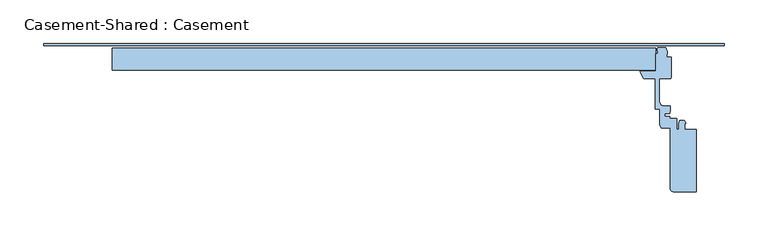
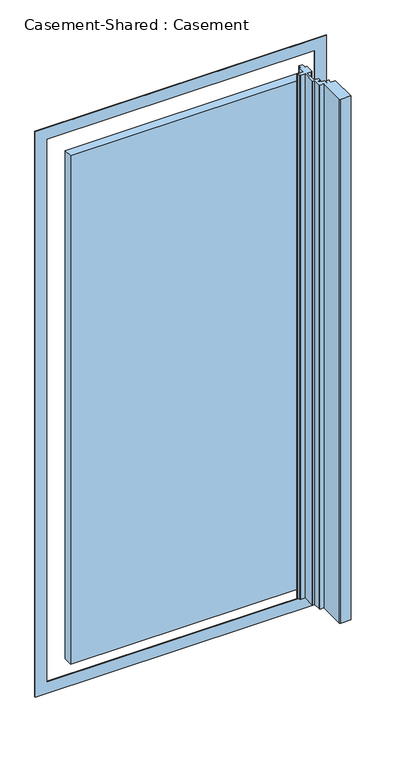
"""IFC4 building model written with IfcOpenShell, lengths in millimetres: window geometry, Casement-Shared : Casement."""

from ifc_helpers import new_model, si_unit, point, frame, frame_2d, origin, place, context, project, spatial, polyline, circle_curve, trimmed, segment, composite_curve, outline, extrude, source, transform, mapped, element, save


def casement_shared_casement_b0d1bff3(model_context):
    return source(origin(), model_context, "Body", "SweptSolid", [
        extrude(outline(composite_curve([segment(polyline([(311.9660747, 99.2187501), (321.071875, 99.2187501), (322.6816997, 94.4562501), (322.6816997, 91.6781251), (321.865625, 91.6781251), (321.865625, 88.1062501), (327.025, 88.1062501), (327.025, 65.4843751)]), True, "CONTINUOUS"), segment(trimmed(circle_curve(frame_2d((325.4375, 65.4843751)), 1.5875), [point((327.025, 65.4843751))], [point((325.4375, 63.8968751))], False, "CARTESIAN"), True, "CONTINUOUS"), segment(polyline([(325.4375, 63.8968751), (313.5425282, 63.8968751), (313.5425282, 37.7031249), (315.1300282, 33.7343749), (319.0987782, 32.5437499), (325.4487782, 32.5437499)]), True, "CONTINUOUS"), segment(trimmed(circle_curve(frame_2d((325.4487782, 31.7500001)), 0.79375), [point((325.4487782, 32.5437499))], [point((326.2425282, 31.7500001))], False, "CARTESIAN"), True, "CONTINUOUS"), segment(polyline([(326.2425282, 31.7500001), (326.2425282, 26.1937499), (325.4487782, 26.1937499), (325.4487782, 23.8621093), (319.4956532, 23.8089564), (319.4956532, 20.6410435), (325.4487782, 20.5878906), (325.4487782, 18.25625), (333.3206948, 18.25625), (333.3206948, 5.9546123), (335.5035073, 5.9546123), (335.5035073, 12.7014873), (337.0910073, 16.2733623), (342.0519448, 16.2733623), (343.6394448, 13.4952373), (343.6394448, 12.7014873), (342.6472573, 12.7014873), (342.6472573, 5.9546123), (355.5456948, 5.9546123), (355.5456948, -65.0875), (329.3519448, -65.0875)]), True, "CONTINUOUS"), segment(trimmed(circle_curve(frame_2d((329.3519448, -61.9125)), 3.175), [point((329.3519448, -65.0875))], [point((326.1769448, -61.9125))], False, "CARTESIAN"), True, "CONTINUOUS"), segment(polyline([(326.1769448, -61.9125), (326.1769448, 7.2852773), (315.7443107, 7.2852773), (314.3362782, 11.5093749), (314.3362782, 28.9718751), (309.5674282, 28.9718751)]), True, "CONTINUOUS"), segment(trimmed(circle_curve(frame_2d((309.5674282, 29.7592751)), 0.7874), [point((309.5674282, 28.9718751))], [point((308.7800282, 29.7592751))], False, "CARTESIAN"), True, "CONTINUOUS"), segment(polyline([(308.7800282, 29.7592751), (308.7800282, 63.8968751), (296.7441145, 63.8968751)]), True, "CONTINUOUS"), segment(trimmed(circle_curve(frame_2d((296.7441145, 65.4843751)), 1.5875), [point((296.7441145, 63.8968751))], [point((295.3692992, 64.6906251))], False, "CARTESIAN"), True, "CONTINUOUS"), segment(polyline([(295.3692992, 64.6906251), (291.703125, 71.0406251), (291.703125, 72.6281251), (309.5625, 72.6281251), (309.5625, 92.4718751), (311.94375, 92.4718751), (311.94375, 96.0437501), (311.15, 96.0437501), (311.15, 97.2343751), (311.9660747, 99.2187501)]), True, "CONTINUOUS")], self_intersect=False)), frame((0.0, 0.0, 940.59375), z_axis=(0.0, 0.0, 1.0), x_axis=(1.0, 0.0, 0.0)), (0.0, 0.0, 1.0), 1471.6125),
        extrude(outline(polyline([(2470.15, -387.35), (882.65, -387.35), (882.65, 387.35), (2470.15, 387.35), (2470.15, -387.35)]), holes=[polyline([(2438.4, 355.6), (914.4, 355.6), (914.4, -355.6), (2438.4, -355.6), (2438.4, 355.6)])]), frame((0.0, 101.6, 0.0), z_axis=(0.0, 1.0, 0.0), x_axis=(0.0, 0.0, 1.0)), (0.0, 0.0, 1.0), 1.9843751),
        extrude(outline(polyline([(-309.5625, 98.8218751), (309.5625, 98.8218751), (309.5625, 73.4218751), (-309.5625, 73.4218751), (-309.5625, 98.8218751)])), frame((0.0, 0.0, 964.40625), z_axis=(0.0, 0.0, 1.0), x_axis=(1.0, 0.0, 0.0)), (0.0, 0.0, 1.0), 1427.95625),
    ])


if __name__ == "__main__":
    model = new_model("IFC4")
    model_context = context("Model", 3, world=origin())
    ifc_project = project(units=[si_unit("LENGTHUNIT", "METRE", prefix="MILLI")], contexts=[model_context])
    site = spatial("IfcSite", under=ifc_project)
    building = spatial("IfcBuilding", under=site)
    placement = place(None, origin())
    casement_shared_casement_shape = casement_shared_casement_b0d1bff3(model_context)
    element("IfcWindow", 1, ObjectType="Casement-Shared : Casement", at=placement, inside=building, context=model_context, shape_type="MappedRepresentation", body=[
        mapped(casement_shared_casement_shape, transform((0.0, 0.0, 0.0), x_axis=(1.0, 0.0, 0.0), y_axis=(0.0, 1.0, 0.0), z_axis=(0.0, 0.0, 1.0))),
    ])
    save(model, "model.ifc")
